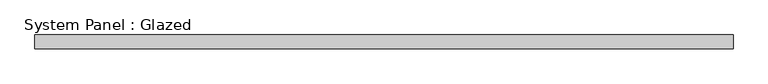
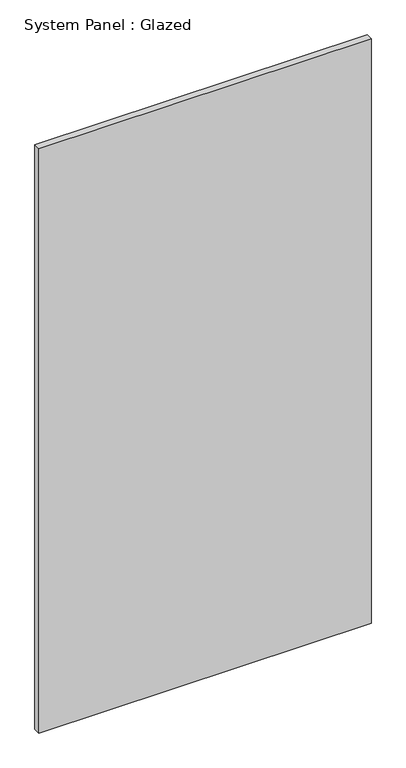
"""IFC4 building model written with IfcOpenShell, lengths in millimetres: plate geometry, System Panel : Glazed."""

from ifc_helpers import new_model, si_unit, origin, origin_with_axes, place, context, project, spatial, polyline, outline, extrude, source, transform, mapped, element, save


def system_panel_glazed_d8eed275(model_context):
    return source(origin(), model_context, "Body", "SweptSolid", [
        extrude(outline(polyline([(632.0882652, 24.5), (-632.0882652, 24.5), (-632.0882652, 49.5), (632.0882652, 49.5), (632.0882652, 24.5)])), origin_with_axes(), (0.0, 0.0, 1.0), 2350.0),
    ])


if __name__ == "__main__":
    model = new_model("IFC4")
    model_context = context("Model", 3, world=origin())
    ifc_project = project(units=[si_unit("LENGTHUNIT", "METRE", prefix="MILLI")], contexts=[model_context])
    site = spatial("IfcSite", under=ifc_project)
    building = spatial("IfcBuilding", under=site)
    placement = place(None, origin())
    system_panel_glazed_shape = system_panel_glazed_d8eed275(model_context)
    element("IfcPlate", 1, ObjectType="System Panel : Glazed", at=placement, inside=building, context=model_context, shape_type="MappedRepresentation", body=[
        mapped(system_panel_glazed_shape, transform((0.0, 0.0, 0.0), x_axis=(1.0, 0.0, 0.0), y_axis=(0.0, 1.0, 0.0), z_axis=(0.0, 0.0, 1.0))),
    ])
    save(model, "model.ifc")
